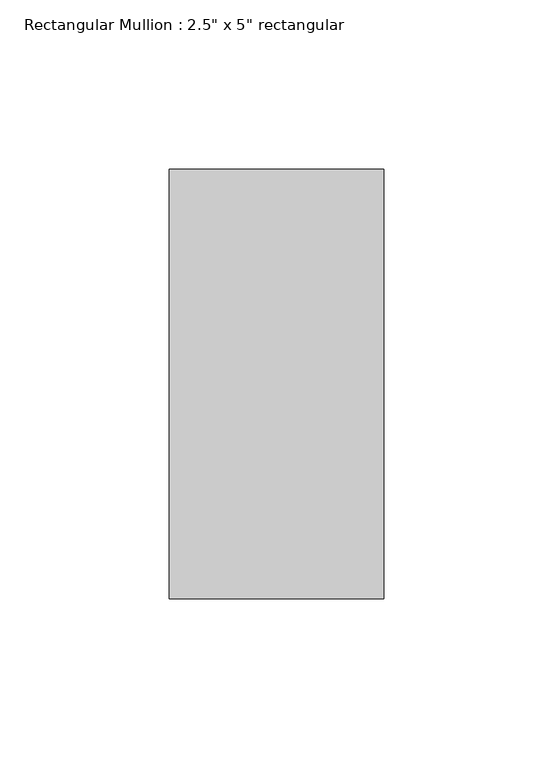
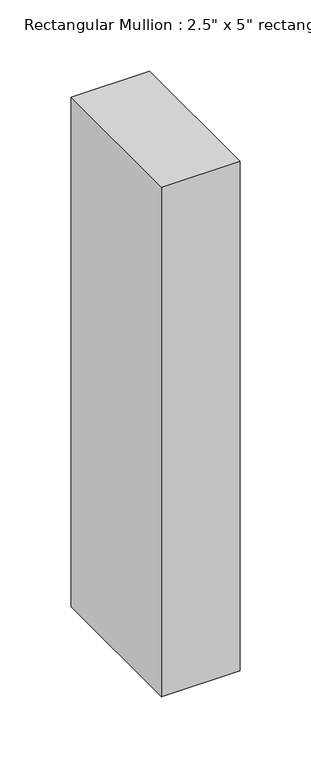
"""IFC4 building model written with IfcOpenShell, lengths in millimetres: member geometry."""

from ifc_helpers import new_model, si_unit, frame, origin, place, context, project, spatial, polyline, outline, extrude, source, transform, mapped, element, save


def member_d66106a7(model_context):
    return source(origin(), model_context, "Body", "SweptSolid", [
        extrude(outline(polyline([(0.0, 63.5), (0.0, -63.5), (-63.5, -63.5), (-63.5, 63.5), (0.0, 63.5)])), frame((0.0, 0.0, -436.5), z_axis=(0.0, 0.0, 1.0), x_axis=(1.0, 0.0, 0.0)), (0.0, 0.0, 1.0), 436.5),
    ])


if __name__ == "__main__":
    model = new_model("IFC4")
    model_context = context("Model", 3, world=origin())
    ifc_project = project(units=[si_unit("LENGTHUNIT", "METRE", prefix="MILLI")], contexts=[model_context])
    site = spatial("IfcSite", under=ifc_project)
    building = spatial("IfcBuilding", under=site)
    placement = place(None, origin())
    member_shape = member_d66106a7(model_context)
    element("IfcMember", 1, ObjectType="Rectangular Mullion : 2.5\" x 5\" rectangular", at=placement, inside=building, context=model_context, shape_type="MappedRepresentation", body=[
        mapped(member_shape, transform((0.0, 0.0, 0.0), x_axis=(1.0, 0.0, 0.0), y_axis=(0.0, 1.0, 0.0), z_axis=(0.0, 0.0, 1.0))),
    ])
    save(model, "model.ifc")
